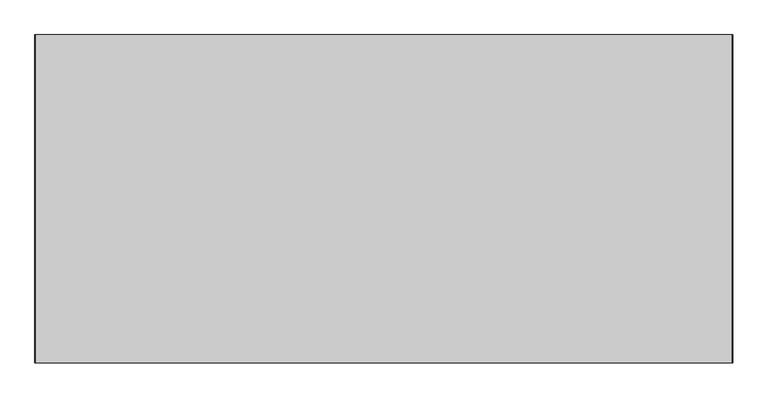
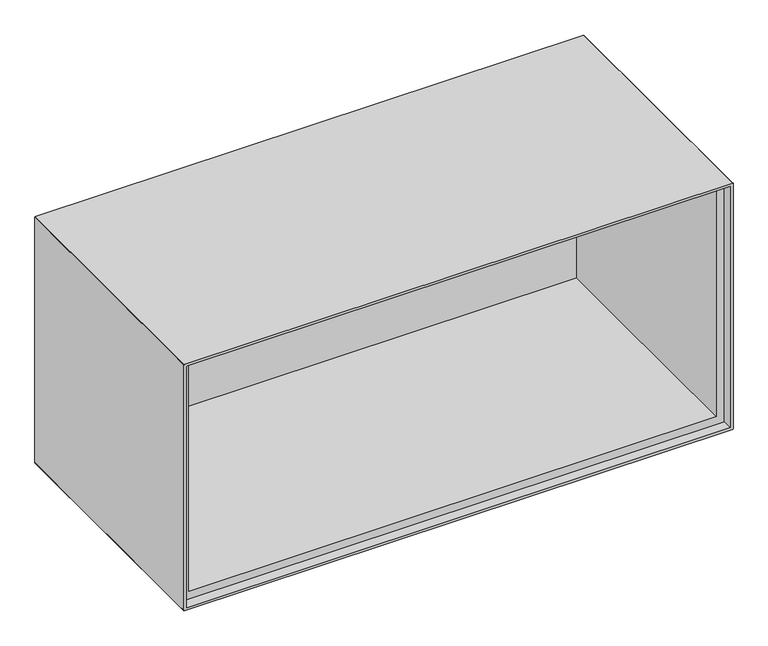
"""IFC4 building model written with IfcOpenShell, lengths in millimetres: furniture geometry."""

from ifc_helpers import new_model, si_unit, frame, origin, place, context, project, spatial, polyline, circle_curve, source, transform, mapped, element, save
from ifc_brep_helpers import plane_surface, cylinder_surface, revolved_surface, advanced_brep


def furniture_84748681(model_context):
    return source(origin(), model_context, "Body", "AdvancedBrep", [
        advanced_brep(
        [(499.0, -235.0, 475.0), (-499.0, -235.0, 475.0), (-500.0, -235.0, 474.0), (-500.0, -235.0, 1.0), (-499.0, -235.0, 0.0), (499.0, -235.0, 0.0), (500.0, -235.0, 1.0), (500.0, -235.0, 474.0), (494.0, -235.0, 470.0), (495.0, -235.0, 469.0), (495.0, -235.0, 5.0000003), (-495.0, -235.0, 5.0000003), (-495.0, -235.0, 469.0), (-494.0, -235.0, 470.0), (499.0, -216.0000181, 475.0), (499.0, 235.0, 475.0), (-499.0, 235.0, 475.0), (-499.0, -216.0000181, 475.0), (-500.0, -216.0000181, 474.0), (-500.0, 235.0, 474.0), (-500.0, 235.0, 1.0), (-500.0, -216.0000181, 1.0), (-499.0, -216.0000181, 0.0), (-499.0, 235.0, 0.0), (499.0, 235.0, 0.0), (499.0, -216.0000181, 0.0), (500.0, -216.0000181, 1.0), (500.0, 235.0, 1.0), (500.0, 235.0, 474.0), (500.0, -216.0000181, 474.0), (494.0, -216.0000181, 470.0), (495.0, -216.0000181, 469.0), (495.0, -216.0000181, 5.0000003), (-495.0, -216.0000181, 5.0000003), (-495.0, -216.0000181, 469.0), (-494.0, -216.0000181, 470.0), (480.0, 224.9999927, 454.0019315), (479.0, 224.9999927, 455.0019315), (-479.0, 224.9999927, 455.0019315), (-480.0, 224.9999927, 454.0019315), (-480.0, 224.9999927, 20.0000011), (480.0, 224.9999927, 20.0000011), (-480.0, -216.0000181, 20.0000011), (-480.0, -216.0000181, 454.0019315), (-479.0, -216.0000181, 455.0019315), (479.0, -216.0000181, 455.0019315), (480.0, -216.0000181, 454.0019315), (480.0, -216.0000181, 20.0000011)],
        [
            (0, 1),
            (1, 2, circle_curve(frame((-499.0, -235.0, 474.0), z_axis=(0.0, -1.0, 0.0), x_axis=(1.0, 0.0, 0.0)), 1.0)),
            (2, 3),
            (3, 4, circle_curve(frame((-499.0, -235.0, 1.0), z_axis=(0.0, -1.0, 0.0), x_axis=(1.0, 0.0, 0.0)), 1.0)),
            (4, 5),
            (5, 6, circle_curve(frame((499.0, -235.0, 1.0), z_axis=(0.0, -1.0, 0.0), x_axis=(1.0, 0.0, 0.0)), 1.0)),
            (6, 7),
            (7, 0, circle_curve(frame((499.0, -235.0, 474.0), z_axis=(0.0, -1.0, 0.0), x_axis=(1.0, 0.0, 0.0)), 1.0)),
            (8, 9, circle_curve(frame((494.0, -235.0, 469.0), z_axis=(0.0, 1.0, 0.0), x_axis=(1.0, 0.0, 0.0)), 1.0)),
            (9, 10),
            (10, 11),
            (11, 12),
            (12, 13, circle_curve(frame((-494.0, -235.0, 469.0), z_axis=(0.0, 1.0, 0.0), x_axis=(1.0, 0.0, 0.0)), 1.0)),
            (13, 8),
            (0, 14),
            (14, 15),
            (15, 16),
            (16, 17),
            (17, 1),
            (17, 18, circle_curve(frame((-499.0, -216.0000181, 474.0), z_axis=(0.0, -1.0, 0.0), x_axis=(1.0, 0.0, 0.0)), 1.0)),
            (18, 2),
            (18, 19),
            (19, 20),
            (20, 21),
            (21, 3),
            (21, 22, circle_curve(frame((-499.0, -216.0000181, 1.0), z_axis=(0.0, -1.0, 0.0), x_axis=(1.0, 0.0, 0.0)), 1.0)),
            (22, 4),
            (22, 23),
            (23, 24),
            (24, 25),
            (25, 5),
            (25, 26, circle_curve(frame((499.0, -216.0000181, 1.0), z_axis=(0.0, -1.0, 0.0), x_axis=(1.0, 0.0, 0.0)), 1.0)),
            (26, 6),
            (26, 27),
            (27, 28),
            (28, 29),
            (29, 7),
            (29, 14, circle_curve(frame((499.0, -216.0000181, 474.0), z_axis=(0.0, -1.0, 0.0), x_axis=(1.0, 0.0, 0.0)), 1.0)),
            (8, 30),
            (30, 31, circle_curve(frame((494.0, -216.0000181, 469.0), z_axis=(0.0, 1.0, 0.0), x_axis=(1.0, 0.0, 0.0)), 1.0)),
            (31, 9),
            (31, 32),
            (32, 10),
            (32, 33),
            (33, 11),
            (33, 34),
            (34, 12),
            (34, 35, circle_curve(frame((-494.0, -216.0000181, 469.0), z_axis=(0.0, 1.0, 0.0), x_axis=(1.0, 0.0, 0.0)), 1.0)),
            (35, 13),
            (35, 30),
            (15, 28, circle_curve(frame((499.0, 235.0, 474.0), z_axis=(0.0, 1.0, 0.0), x_axis=(1.0, 0.0, 0.0)), 1.0)),
            (27, 24, circle_curve(frame((499.0, 235.0, 1.0), z_axis=(0.0, 1.0, 0.0), x_axis=(1.0, 0.0, 0.0)), 1.0)),
            (23, 20, circle_curve(frame((-499.0, 235.0, 1.0), z_axis=(0.0, 1.0, 0.0), x_axis=(1.0, 0.0, 0.0)), 1.0)),
            (19, 16, circle_curve(frame((-499.0, 235.0, 474.0), z_axis=(0.0, 1.0, 0.0), x_axis=(1.0, 0.0, 0.0)), 1.0)),
            (36, 37, circle_curve(frame((479.0, 224.9999927, 454.0019315), z_axis=(0.0, -1.0, 0.0), x_axis=(1.0, 0.0, 0.0)), 1.0)),
            (37, 38),
            (38, 39, circle_curve(frame((-479.0, 224.9999927, 454.0019315), z_axis=(0.0, -1.0, 0.0), x_axis=(1.0, 0.0, 0.0)), 1.0)),
            (39, 40),
            (40, 41),
            (41, 36),
            (42, 43),
            (43, 44, circle_curve(frame((-479.0, -216.0000181, 454.0019315), z_axis=(0.0, 1.0, 0.0), x_axis=(1.0, 0.0, 0.0)), 1.0)),
            (44, 45),
            (45, 46, circle_curve(frame((479.0, -216.0000181, 454.0019315), z_axis=(0.0, 1.0, 0.0), x_axis=(1.0, 0.0, 0.0)), 1.0)),
            (46, 47),
            (47, 42),
            (45, 37),
            (36, 46),
            (41, 47),
            (42, 40),
            (39, 43),
            (38, 44),
        ],
        [
            plane_surface(frame((-499.0, -235.0, 475.0), z_axis=(0.0, -1.0, 0.0), x_axis=(-1.0, 0.0, 0.0))),
            plane_surface(frame((499.0, -235.0, 475.0), z_axis=(0.0, 0.0, 1.0), x_axis=(0.0, 1.0, 0.0))),
            cylinder_surface(frame((-499.0, -216.0000181, 474.0), z_axis=(0.0, -1.0, 0.0), x_axis=(1.0, 0.0, 0.0)), 1.0),
            plane_surface(frame((-500.0, -235.0, 474.0), z_axis=(-1.0, 0.0, 0.0), x_axis=(0.0, 1.0, 0.0))),
            cylinder_surface(frame((-499.0, -216.0000181, 1.0), z_axis=(0.0, -1.0, 0.0), x_axis=(1.0, 0.0, 0.0)), 1.0),
            plane_surface(frame((-499.0, -235.0, 0.0), z_axis=(0.0, 0.0, -1.0), x_axis=(0.0, 1.0, 0.0))),
            cylinder_surface(frame((499.0, -216.0000181, 1.0), z_axis=(0.0, -1.0, 0.0), x_axis=(1.0, 0.0, 0.0)), 1.0),
            plane_surface(frame((500.0, -235.0, 1.0), z_axis=(1.0, 0.0, 0.0), x_axis=(0.0, 1.0, 0.0))),
            cylinder_surface(frame((499.0, -216.0000181, 474.0), z_axis=(0.0, -1.0, 0.0), x_axis=(1.0, 0.0, 0.0)), 1.0),
            revolved_surface(polyline([(495.0, -216.0000181, 469.0), (495.0, -235.0, 469.0)]), (494.0, 0.0, 469.0), (0.0, 1.0, 0.0)),
            plane_surface(frame((495.0, -235.0, 469.0), z_axis=(-1.0, 0.0, 0.0), x_axis=(0.0, 1.0, 0.0))),
            plane_surface(frame((495.0, -235.0, 5.0000003), z_axis=(0.0, 0.0, 1.0), x_axis=(0.0, 1.0, 0.0))),
            plane_surface(frame((-495.0, -235.0, 5.0000003), z_axis=(1.0, 0.0, 0.0), x_axis=(0.0, 1.0, 0.0))),
            revolved_surface(polyline([(-493.0, -216.0000181, 469.0), (-493.0, -235.0, 469.0)]), (-494.0, 0.0, 469.0), (0.0, 1.0, 0.0)),
            plane_surface(frame((-494.0, -235.0, 470.0), z_axis=(0.0, 0.0, -1.0), x_axis=(0.0, 1.0, 0.0))),
            plane_surface(frame((495.0, 235.0, 454.0019315), z_axis=(0.0, 1.0, 0.0), x_axis=(0.0, 0.0, -1.0))),
            plane_surface(frame((495.0, 224.9999927, 454.0019315), z_axis=(0.0, -1.0, 0.0), x_axis=(0.0, 0.0, 1.0))),
            plane_surface(frame((-499.0, -216.0000181, 475.0), z_axis=(0.0, -1.0, 0.0), x_axis=(-1.0, 0.0, 0.0))),
            cylinder_surface(frame((-499.0, 235.0, 474.0), z_axis=(0.0, -1.0, 0.0), x_axis=(1.0, 0.0, 0.0)), 1.0),
            cylinder_surface(frame((-499.0, 235.0, 1.0), z_axis=(0.0, -1.0, 0.0), x_axis=(1.0, 0.0, 0.0)), 1.0),
            cylinder_surface(frame((499.0, 235.0, 1.0), z_axis=(0.0, -1.0, 0.0), x_axis=(1.0, 0.0, 0.0)), 1.0),
            cylinder_surface(frame((499.0, 235.0, 474.0), z_axis=(0.0, -1.0, 0.0), x_axis=(1.0, 0.0, 0.0)), 1.0),
            revolved_surface(polyline([(480.0, 224.9999927, 454.0019315), (480.0, -216.0000181, 454.0019315)]), (479.0, 0.0, 454.0019315), (0.0, 1.0, 0.0)),
            plane_surface(frame((480.0, -216.0000181, 454.0019315), z_axis=(-1.0, 0.0, 0.0), x_axis=(0.0, 1.0, 0.0))),
            plane_surface(frame((-480.0, -216.0000181, 20.0000011), z_axis=(1.0, 0.0, 0.0), x_axis=(0.0, 1.0, 0.0))),
            revolved_surface(polyline([(-478.0, 224.9999927, 454.0019315), (-478.0, -216.0000181, 454.0019315)]), (-479.0, 0.0, 454.0019315), (0.0, 1.0, 0.0)),
            plane_surface(frame((480.0, -216.0000181, 20.0000011), z_axis=(0.0, 0.0, 1.0), x_axis=(0.0, 1.0, 0.0))),
            plane_surface(frame((-479.0, -216.0000181, 455.0019315), z_axis=(0.0, 0.0, -1.0), x_axis=(0.0, 1.0, 0.0))),
        ],
        [
            (0, [[1, 2, 3, 4, 5, 6, 7, 8], [9, 10, 11, 12, 13, 14]]),
            (1, [[-1, 15, 16, 17, 18, 19]]),
            (2, [[-2, -19, 20, 21]]),
            (3, [[-3, -21, 22, 23, 24, 25]]),
            (4, [[-4, -25, 26, 27]]),
            (5, [[-5, -27, 28, 29, 30, 31]]),
            (6, [[-6, -31, 32, 33]]),
            (7, [[-7, -33, 34, 35, 36, 37]]),
            (8, [[-8, -37, 38, -15]]),
            (9, [[-9, 39, 40, 41]]),
            (10, [[-10, -41, 42, 43]]),
            (11, [[-11, -43, 44, 45]]),
            (12, [[-12, -45, 46, 47]]),
            (13, [[-13, -47, 48, 49]]),
            (14, [[-14, -49, 50, -39]]),
            (15, [[51, -35, 52, -29, 53, -23, 54, -17]]),
            (16, [[55, 56, 57, 58, 59, 60]]),
            (17, [[-40, -50, -48, -46, -44, -42], [61, 62, 63, 64, 65, 66]]),
            (18, [[-54, -22, -20, -18]]),
            (19, [[-53, -28, -26, -24]]),
            (20, [[-52, -34, -32, -30]]),
            (21, [[-51, -16, -38, -36]]),
            (22, [[-64, 67, -55, 68]]),
            (23, [[-65, -68, -60, 69]]),
            (24, [[-61, 70, -58, 71]]),
            (25, [[-62, -71, -57, 72]]),
            (26, [[-66, -69, -59, -70]]),
            (27, [[-63, -72, -56, -67]]),
        ],
    ),
    ])


if __name__ == "__main__":
    model = new_model("IFC4")
    model_context = context("Model", 3, world=origin())
    ifc_project = project(units=[si_unit("LENGTHUNIT", "METRE", prefix="MILLI")], contexts=[model_context])
    site = spatial("IfcSite", under=ifc_project)
    building = spatial("IfcBuilding", under=site)
    placement = place(None, origin())
    furniture_shape = furniture_84748681(model_context)
    element("IfcFurniture", 1, at=placement, inside=building, context=model_context, shape_type="MappedRepresentation", body=[
        mapped(furniture_shape, transform((0.0, 0.0, 0.0), x_axis=(1.0, 0.0, 0.0), y_axis=(0.0, 1.0, 0.0), z_axis=(0.0, 0.0, 1.0))),
    ])
    save(model, "model.ifc")
